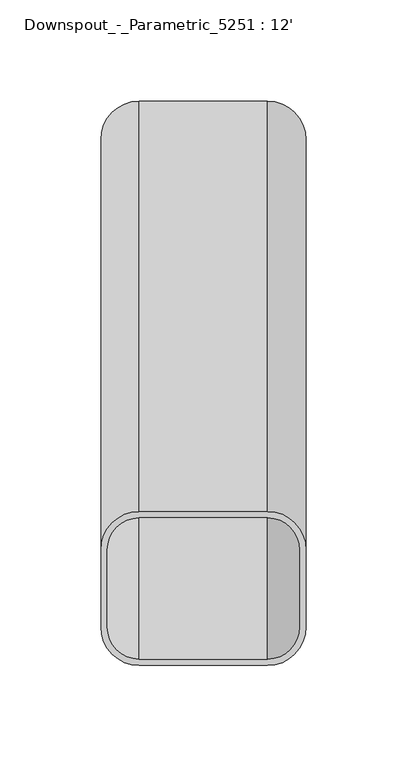
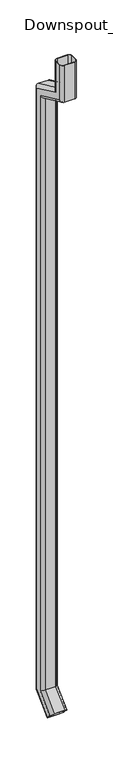
"""IFC4 building model written with IfcOpenShell, lengths in millimetres: proxy geometry, Downspout_-_Parametric_5251 : 12'."""

from ifc_helpers import new_model, si_unit, frame, origin, origin_with_axes, place, context, project, spatial, polyline, circle_curve, ellipse_curve, source, transform, mapped, element, save
from ifc_brep_helpers import plane_surface, cylinder_surface, revolved_surface, advanced_brep


def downspout_parametric_5251_12_ce62f93f(model_context):
    return source(origin(), model_context, "Body", "AdvancedBrep", [
        advanced_brep(
        [(50.8, 19.05, 0.0), (31.75, 38.1, 0.0), (-31.75, 38.1, 0.0), (-50.8, 19.05, 0.0), (-50.8, -19.05, 0.0), (-31.75, -38.1, 0.0), (31.75, -38.1, 0.0), (50.8, -19.05, 0.0), (47.625, 19.05, 0.0), (47.625, -19.05, 0.0), (31.75, -34.925, 0.0), (-31.75, -34.925, 0.0), (-47.625, -19.05, 0.0), (-47.625, 19.05, 0.0), (-31.75, 34.925, 0.0), (31.75, 34.925, 0.0), (50.8, 19.05, -203.7391312), (31.75, 38.1, -191.6029427), (-31.75, 38.1, -191.6029427), (-50.8, 19.05, -203.7391312), (-50.8, 222.25, -298.4928473), (-50.8, 222.25, -4205.2407684), (-50.8, 108.9073107, -4318.5834576), (-50.8, 81.9665424, -4291.6426893), (-50.8, 184.15, -4189.4592316), (-50.8, 184.15, -322.7652243), (-50.8, -19.05, -228.0115081), (-31.75, -38.1, -240.1476966), (31.75, -38.1, -240.1476966), (50.8, -19.05, -228.0115081), (50.8, 184.15, -322.7652243), (50.8, 184.15, -4189.4592316), (50.8, 81.9665424, -4291.6426893), (50.8, 108.9073107, -4318.5834576), (50.8, 222.25, -4205.2407684), (50.8, 222.25, -298.4928473), (47.625, 19.05, -203.7391312), (47.625, 222.25, -298.4928473), (47.625, 222.25, -4205.2407684), (47.625, 108.9073107, -4318.5834576), (47.625, 81.9665424, -4291.6426893), (47.625, 184.15, -4189.4592316), (47.625, 184.15, -322.7652243), (47.625, -19.05, -228.0115081), (31.75, -34.925, -238.1249985), (-31.75, -34.925, -238.1249985), (-47.625, -19.05, -228.0115081), (-47.625, 184.15, -322.7652243), (-47.625, 184.15, -4189.4592316), (-47.625, 81.9665424, -4291.6426893), (-47.625, 108.9073107, -4318.5834576), (-47.625, 222.25, -4205.2407684), (-47.625, 222.25, -298.4928473), (-47.625, 19.05, -203.7391312), (-31.75, 34.925, -193.6256408), (31.75, 34.925, -193.6256408), (31.75, 241.3, -286.3566588), (-31.75, 241.3, -286.3566588), (-31.75, 165.1, -334.9014127), (31.75, 165.1, -334.9014127), (31.75, 168.275, -332.8787146), (-31.75, 168.275, -332.8787146), (-31.75, 238.125, -288.3793569), (31.75, 238.125, -288.3793569), (31.75, 68.4961582, -4278.1723051), (-31.75, 68.4961582, -4278.1723051), (-31.75, 122.3776949, -4332.0538418), (31.75, 122.3776949, -4332.0538418), (31.75, 120.1326309, -4329.8087778), (-31.75, 120.1326309, -4329.8087778), (-31.75, 70.7412222, -4280.4173691), (31.75, 70.7412222, -4280.4173691), (31.75, 241.3, -4213.1315367), (-31.75, 241.3, -4213.1315367), (-31.75, 165.1, -4181.5684633), (31.75, 165.1, -4181.5684633), (31.75, 168.275, -4182.8835913), (-31.75, 168.275, -4182.8835913), (-31.75, 238.125, -4211.8164087), (31.75, 238.125, -4211.8164087)],
        [
            (0, 1, circle_curve(frame((31.75, 19.05, 0.0), z_axis=(0.0, 0.0, 1.0), x_axis=(0.0, 1.0, 0.0)), 19.05)),
            (1, 2),
            (2, 3, circle_curve(frame((-31.75, 19.05, 0.0), z_axis=(0.0, 0.0, 1.0), x_axis=(0.0, 1.0, 0.0)), 19.05)),
            (3, 4),
            (4, 5, circle_curve(frame((-31.75, -19.05, 0.0), z_axis=(0.0, 0.0, 1.0), x_axis=(0.0, 1.0, 0.0)), 19.05)),
            (5, 6),
            (6, 7, circle_curve(frame((31.75, -19.05, 0.0), z_axis=(0.0, 0.0, 1.0), x_axis=(0.0, 1.0, 0.0)), 19.05)),
            (7, 0),
            (8, 9),
            (9, 10, circle_curve(frame((31.75, -19.05, 0.0), z_axis=(0.0, 0.0, -1.0), x_axis=(0.0, 1.0, 0.0)), 15.875)),
            (10, 11),
            (11, 12, circle_curve(frame((-31.75, -19.05, 0.0), z_axis=(0.0, 0.0, -1.0), x_axis=(0.0, 1.0, 0.0)), 15.875)),
            (12, 13),
            (13, 14, circle_curve(frame((-31.75, 19.05, 0.0), z_axis=(0.0, 0.0, -1.0), x_axis=(0.0, 1.0, 0.0)), 15.875)),
            (14, 15),
            (15, 8, circle_curve(frame((31.75, 19.05, 0.0), z_axis=(0.0, 0.0, -1.0), x_axis=(0.0, 1.0, 0.0)), 15.875)),
            (0, 16),
            (16, 17, ellipse_curve(frame((31.75, 19.05, -203.7391312), z_axis=(0.0, -0.5372996083468213, 0.8433914458128874), x_axis=(0.0, 0.8433914458128875, 0.5372996083468209)), 22.5873764, 19.05)),
            (17, 1),
            (17, 18),
            (18, 2),
            (18, 19, ellipse_curve(frame((-31.75, 19.05, -203.7391312), z_axis=(0.0, -0.5372996083468213, 0.8433914458128874), x_axis=(0.0, 0.8433914458128875, 0.5372996083468209)), 22.5873764, 19.05)),
            (19, 3),
            (19, 20),
            (20, 21),
            (21, 22),
            (22, 23),
            (23, 24),
            (24, 25),
            (25, 26),
            (26, 4),
            (26, 27, ellipse_curve(frame((-31.75, -19.05, -228.0115081), z_axis=(0.0, -0.5372996083468213, 0.8433914458128874), x_axis=(0.0, 0.8433914458128875, 0.5372996083468209)), 22.5873764, 19.05)),
            (27, 5),
            (27, 28),
            (28, 6),
            (28, 29, ellipse_curve(frame((31.75, -19.05, -228.0115081), z_axis=(0.0, -0.5372996083468213, 0.8433914458128874), x_axis=(0.0, 0.8433914458128875, 0.5372996083468209)), 22.5873764, 19.05)),
            (29, 7),
            (29, 30),
            (30, 31),
            (31, 32),
            (32, 33),
            (33, 34),
            (34, 35),
            (35, 16),
            (8, 36),
            (36, 37),
            (37, 38),
            (38, 39),
            (39, 40),
            (40, 41),
            (41, 42),
            (42, 43),
            (43, 9),
            (43, 44, ellipse_curve(frame((31.75, -19.05, -228.0115081), z_axis=(0.0, 0.5372996083468213, -0.8433914458128874), x_axis=(0.0, -0.8433914458128875, -0.5372996083468209)), 18.8228136, 15.875)),
            (44, 10),
            (44, 45),
            (45, 11),
            (45, 46, ellipse_curve(frame((-31.75, -19.05, -228.0115081), z_axis=(0.0, 0.5372996083468213, -0.8433914458128874), x_axis=(0.0, -0.8433914458128875, -0.5372996083468209)), 18.8228136, 15.875)),
            (46, 12),
            (46, 47),
            (47, 48),
            (48, 49),
            (49, 50),
            (50, 51),
            (51, 52),
            (52, 53),
            (53, 13),
            (53, 54, ellipse_curve(frame((-31.75, 19.05, -203.7391312), z_axis=(0.0, 0.5372996083468213, -0.8433914458128874), x_axis=(0.0, -0.8433914458128875, -0.5372996083468209)), 18.8228136, 15.875)),
            (54, 14),
            (54, 55),
            (55, 15),
            (55, 36, ellipse_curve(frame((31.75, 19.05, -203.7391312), z_axis=(0.0, 0.5372996083468213, -0.8433914458128874), x_axis=(0.0, -0.8433914458128875, -0.5372996083468209)), 18.8228136, 15.875)),
            (35, 56, ellipse_curve(frame((31.75, 222.25, -298.4928473), z_axis=(0.0, -0.5372996083468236, 0.8433914458128858), x_axis=(0.0, -0.8433914458128858, -0.5372996083468236)), 22.5873764, 19.05)),
            (56, 17),
            (56, 57),
            (57, 18),
            (57, 20, ellipse_curve(frame((-31.75, 222.25, -298.4928473), z_axis=(0.0, -0.5372996083468236, 0.8433914458128858), x_axis=(0.0, -0.8433914458128858, -0.5372996083468236)), 22.5873764, 19.05)),
            (25, 58, ellipse_curve(frame((-31.75, 184.15, -322.7652243), z_axis=(0.0, -0.5372996083468236, 0.8433914458128858), x_axis=(0.0, -0.8433914458128858, -0.5372996083468236)), 22.5873764, 19.05)),
            (58, 27),
            (58, 59),
            (59, 28),
            (59, 30, ellipse_curve(frame((31.75, 184.15, -322.7652243), z_axis=(0.0, -0.5372996083468236, 0.8433914458128858), x_axis=(0.0, -0.8433914458128858, -0.5372996083468236)), 22.5873764, 19.05)),
            (42, 60, ellipse_curve(frame((31.75, 184.15, -322.7652243), z_axis=(0.0, 0.5372996083468236, -0.8433914458128858), x_axis=(0.0, 0.8433914458128858, 0.5372996083468236)), 18.8228136, 15.875)),
            (60, 44),
            (60, 61),
            (61, 45),
            (61, 47, ellipse_curve(frame((-31.75, 184.15, -322.7652243), z_axis=(0.0, 0.5372996083468236, -0.8433914458128858), x_axis=(0.0, 0.8433914458128858, 0.5372996083468236)), 18.8228136, 15.875)),
            (52, 62, ellipse_curve(frame((-31.75, 222.25, -298.4928473), z_axis=(0.0, 0.5372996083468236, -0.8433914458128858), x_axis=(0.0, 0.8433914458128858, 0.5372996083468236)), 18.8228136, 15.875)),
            (62, 54),
            (62, 63),
            (63, 55),
            (63, 37, ellipse_curve(frame((31.75, 222.25, -298.4928473), z_axis=(0.0, 0.5372996083468236, -0.8433914458128858), x_axis=(0.0, 0.8433914458128858, 0.5372996083468236)), 18.8228136, 15.875)),
            (32, 64, circle_curve(frame((31.75, 81.9665424, -4291.6426893), z_axis=(0.0, -0.7071067811865509, -0.7071067811865441), x_axis=(0.0, 0.7071067811865441, -0.7071067811865509)), 19.05)),
            (64, 65),
            (65, 23, circle_curve(frame((-31.75, 81.9665424, -4291.6426893), z_axis=(0.0, -0.7071067811865509, -0.7071067811865441), x_axis=(0.0, 0.7071067811865441, -0.7071067811865509)), 19.05)),
            (22, 66, circle_curve(frame((-31.75, 108.9073107, -4318.5834576), z_axis=(0.0, -0.7071067811865509, -0.7071067811865441), x_axis=(0.0, 0.7071067811865441, -0.7071067811865509)), 19.05)),
            (66, 67),
            (67, 33, circle_curve(frame((31.75, 108.9073107, -4318.5834576), z_axis=(0.0, -0.7071067811865509, -0.7071067811865441), x_axis=(0.0, 0.7071067811865441, -0.7071067811865509)), 19.05)),
            (39, 68, circle_curve(frame((31.75, 108.9073107, -4318.5834576), z_axis=(0.0, 0.7071067811865509, 0.7071067811865441), x_axis=(0.0, 0.7071067811865441, -0.7071067811865509)), 15.875)),
            (68, 69),
            (69, 50, circle_curve(frame((-31.75, 108.9073107, -4318.5834576), z_axis=(0.0, 0.7071067811865509, 0.7071067811865441), x_axis=(0.0, 0.7071067811865441, -0.7071067811865509)), 15.875)),
            (49, 70, circle_curve(frame((-31.75, 81.9665424, -4291.6426893), z_axis=(0.0, 0.7071067811865509, 0.7071067811865441), x_axis=(0.0, 0.7071067811865441, -0.7071067811865509)), 15.875)),
            (70, 71),
            (71, 40, circle_curve(frame((31.75, 81.9665424, -4291.6426893), z_axis=(0.0, 0.7071067811865509, 0.7071067811865441), x_axis=(0.0, 0.7071067811865441, -0.7071067811865509)), 15.875)),
            (34, 72, ellipse_curve(frame((31.75, 222.25, -4205.2407684), z_axis=(0.0, 0.382683432365088, 0.9238795325112874), x_axis=(0.0, -0.9238795325112873, 0.38268343236508856)), 20.6195714, 19.05)),
            (72, 56),
            (72, 73),
            (73, 57),
            (73, 21, ellipse_curve(frame((-31.75, 222.25, -4205.2407684), z_axis=(0.0, 0.382683432365088, 0.9238795325112874), x_axis=(0.0, -0.9238795325112873, 0.38268343236508856)), 20.6195714, 19.05)),
            (24, 74, ellipse_curve(frame((-31.75, 184.15, -4189.4592316), z_axis=(0.0, 0.382683432365088, 0.9238795325112874), x_axis=(0.0, -0.9238795325112873, 0.38268343236508856)), 20.6195714, 19.05)),
            (74, 58),
            (74, 75),
            (75, 59),
            (75, 31, ellipse_curve(frame((31.75, 184.15, -4189.4592316), z_axis=(0.0, 0.382683432365088, 0.9238795325112874), x_axis=(0.0, -0.9238795325112873, 0.38268343236508856)), 20.6195714, 19.05)),
            (41, 76, ellipse_curve(frame((31.75, 184.15, -4189.4592316), z_axis=(0.0, -0.382683432365088, -0.9238795325112874), x_axis=(0.0, 0.9238795325112873, -0.38268343236508856)), 17.1829762, 15.875)),
            (76, 60),
            (76, 77),
            (77, 61),
            (77, 48, ellipse_curve(frame((-31.75, 184.15, -4189.4592316), z_axis=(0.0, -0.382683432365088, -0.9238795325112874), x_axis=(0.0, 0.9238795325112873, -0.38268343236508856)), 17.1829762, 15.875)),
            (51, 78, ellipse_curve(frame((-31.75, 222.25, -4205.2407684), z_axis=(0.0, -0.382683432365088, -0.9238795325112874), x_axis=(0.0, 0.9238795325112873, -0.38268343236508856)), 17.1829762, 15.875)),
            (78, 62),
            (78, 79),
            (79, 63),
            (79, 38, ellipse_curve(frame((31.75, 222.25, -4205.2407684), z_axis=(0.0, -0.382683432365088, -0.9238795325112874), x_axis=(0.0, 0.9238795325112873, -0.38268343236508856)), 17.1829762, 15.875)),
            (67, 72),
            (66, 73),
            (65, 74),
            (64, 75),
            (71, 76),
            (70, 77),
            (69, 78),
            (68, 79),
        ],
        [
            plane_surface(origin_with_axes()),
            cylinder_surface(frame((31.75, 19.05, 0.0), z_axis=(0.0, 0.0, 1.0), x_axis=(0.0, 1.0, 0.0)), 19.05),
            plane_surface(frame((31.75, 38.1, 0.0), z_axis=(0.0, 1.0, 0.0), x_axis=(0.0, 0.0, -1.0))),
            cylinder_surface(frame((-31.75, 19.05, 0.0), z_axis=(0.0, 0.0, 1.0), x_axis=(0.0, 1.0, 0.0)), 19.05),
            plane_surface(frame((-50.8, 19.05, 0.0), z_axis=(-1.0, 0.0, 0.0), x_axis=(0.0, 0.0, -1.0))),
            cylinder_surface(frame((-31.75, -19.05, 0.0), z_axis=(0.0, 0.0, 1.0), x_axis=(0.0, 1.0, 0.0)), 19.05),
            plane_surface(frame((-31.75, -38.1, 0.0), z_axis=(0.0, -1.0, 0.0), x_axis=(0.0, 0.0, -1.0))),
            cylinder_surface(frame((31.75, -19.05, 0.0), z_axis=(0.0, 0.0, 1.0), x_axis=(0.0, 1.0, 0.0)), 19.05),
            plane_surface(frame((50.8, -19.05, 0.0), z_axis=(1.0, 0.0, 0.0), x_axis=(0.0, 0.0, -1.0))),
            plane_surface(frame((47.625, 19.05, 0.0), z_axis=(-1.0, 0.0, 0.0), x_axis=(0.0, 0.0, -1.0))),
            revolved_surface(polyline([(31.75, -3.1750000000000007, -238.1249985), (31.75, -3.1750000000000007, 0.0)]), (31.75, -19.05, 0.0), (0.0, 0.0, -1.0)),
            plane_surface(frame((31.75, -34.925, 0.0), z_axis=(0.0, 1.0, 0.0), x_axis=(0.0, 0.0, -1.0))),
            revolved_surface(polyline([(-31.75, -3.1750000000000007, -238.1249985), (-31.75, -3.1750000000000007, 0.0)]), (-31.75, -19.05, 0.0), (0.0, 0.0, -1.0)),
            plane_surface(frame((-47.625, -19.05, 0.0), z_axis=(1.0, 0.0, 0.0), x_axis=(0.0, 0.0, -1.0))),
            revolved_surface(polyline([(-31.75, 34.925, -213.8526215752652), (-31.75, 34.925, 0.0)]), (-31.75, 19.05, 0.0), (0.0, 0.0, -1.0)),
            plane_surface(frame((-31.75, 34.925, 0.0), z_axis=(0.0, -1.0, 0.0), x_axis=(0.0, 0.0, -1.0))),
            revolved_surface(polyline([(31.75, 34.925, -213.8526215752652), (31.75, 34.925, 0.0)]), (31.75, 19.05, 0.0), (0.0, 0.0, -1.0)),
            cylinder_surface(frame((31.75, 8.0508779, -198.6101563), z_axis=(0.0, -0.9063077870366462, 0.4226182617407078), x_axis=(0.0, 0.4226182617407078, 0.9063077870366462)), 19.05),
            plane_surface(frame((31.75, 38.1, -191.6029427), z_axis=(0.0, 0.4226182617407079, 0.906307787036646), x_axis=(0.0, 0.906307787036646, -0.4226182617407079))),
            cylinder_surface(frame((-31.75, 8.0508779, -198.6101563), z_axis=(0.0, -0.9063077870366462, 0.4226182617407078), x_axis=(0.0, 0.4226182617407078, 0.9063077870366462)), 19.05),
            cylinder_surface(frame((-31.75, -8.0508779, -233.140483), z_axis=(0.0, -0.9063077870366462, 0.4226182617407078), x_axis=(0.0, 0.4226182617407078, 0.9063077870366462)), 19.05),
            plane_surface(frame((-31.75, -38.1, -240.1476966), z_axis=(0.0, -0.42261826174070777, -0.9063077870366462), x_axis=(0.0, 0.9063077870366462, -0.42261826174070777))),
            cylinder_surface(frame((31.75, -8.0508779, -233.140483), z_axis=(0.0, -0.9063077870366462, 0.4226182617407078), x_axis=(0.0, 0.4226182617407078, 0.9063077870366462)), 19.05),
            revolved_surface(polyline([(31.75, 200.02499999827407, -312.6517338777623), (31.75, -21.506870198199934, -209.3497262797449)]), (31.75, -8.0508779, -233.140483), (0.0, 0.9063077870366462, -0.4226182617407078)),
            plane_surface(frame((31.75, -34.925, -238.1249985), z_axis=(0.0, 0.42261826174070793, 0.906307787036646), x_axis=(0.0, 0.906307787036646, -0.42261826174070793))),
            revolved_surface(polyline([(-31.75, 200.02499999827407, -312.6517338777623), (-31.75, -21.506870198199934, -209.3497262797449)]), (-31.75, -8.0508779, -233.140483), (0.0, 0.9063077870366462, -0.4226182617407078)),
            revolved_surface(polyline([(-31.75, 238.1249999942581, -288.3793569123137), (-31.75, 16.59312983608624, -185.07734933215684)]), (-31.75, 8.0508779, -198.6101563), (0.0, 0.9063077870366462, -0.4226182617407078)),
            plane_surface(frame((-31.75, 34.925, -193.6256408), z_axis=(0.0, -0.422618261740708, -0.906307787036646), x_axis=(0.0, 0.906307787036646, -0.422618261740708))),
            revolved_surface(polyline([(31.75, 238.1249999942581, -288.3793569123137), (31.75, 16.59312983608624, -185.07734933215684)]), (31.75, 8.0508779, -198.6101563), (0.0, 0.9063077870366462, -0.4226182617407078)),
            plane_surface(frame((0.0, 95.4369265, -4305.1130735), z_axis=(0.0, -0.707106781186551, -0.7071067811865442), x_axis=(1.0, 0.0, 0.0))),
            cylinder_surface(frame((31.75, 222.25, -310.6290358), z_axis=(0.0, 0.0, 1.0), x_axis=(0.0, 1.0, 0.0)), 19.05),
            plane_surface(frame((31.75, 241.3, -286.3566588), z_axis=(0.0, 1.0, 0.0), x_axis=(0.0, 0.0, -1.0))),
            cylinder_surface(frame((-31.75, 222.25, -310.6290358), z_axis=(0.0, 0.0, 1.0), x_axis=(0.0, 1.0, 0.0)), 19.05),
            cylinder_surface(frame((-31.75, 184.15, -310.6290358), z_axis=(0.0, 0.0, 1.0), x_axis=(0.0, 1.0, 0.0)), 19.05),
            plane_surface(frame((-31.75, 165.1, -334.9014127), z_axis=(0.0, -1.0, 0.0), x_axis=(0.0, 0.0, -1.0))),
            cylinder_surface(frame((31.75, 184.15, -310.6290358), z_axis=(0.0, 0.0, 1.0), x_axis=(0.0, 1.0, 0.0)), 19.05),
            revolved_surface(polyline([(31.75, 200.025, -4196.034871910463), (31.75, 200.025, -312.65173392473474)]), (31.75, 184.15, -310.6290358), (0.0, 0.0, -1.0)),
            plane_surface(frame((31.75, 168.275, -332.8787146), z_axis=(0.0, 1.0, 0.0), x_axis=(0.0, 0.0, -1.0))),
            revolved_surface(polyline([(-31.75, 200.025, -4196.034871910463), (-31.75, 200.025, -312.65173392473474)]), (-31.75, 184.15, -310.6290358), (0.0, 0.0, -1.0)),
            revolved_surface(polyline([(-31.75, 238.125, -4211.816408710463), (-31.75, 238.125, -288.3793569)]), (-31.75, 222.25, -310.6290358), (0.0, 0.0, -1.0)),
            plane_surface(frame((-31.75, 238.125, -288.3793569), z_axis=(0.0, -1.0, 0.0), x_axis=(0.0, 0.0, -1.0))),
            revolved_surface(polyline([(31.75, 238.125, -4211.816408710463), (31.75, 238.125, -288.3793569)]), (31.75, 222.25, -310.6290358), (0.0, 0.0, -1.0)),
            cylinder_surface(frame((31.75, 216.6703842, -4210.8203842), z_axis=(0.0, 0.7071067811865509, 0.7071067811865441), x_axis=(0.0, 0.7071067811865441, -0.7071067811865509)), 19.05),
            plane_surface(frame((31.75, 241.3, -4213.1315367), z_axis=(0.0, 0.707106781186543, -0.707106781186552), x_axis=(0.0, -0.707106781186552, -0.707106781186543))),
            cylinder_surface(frame((-31.75, 216.6703842, -4210.8203842), z_axis=(0.0, 0.7071067811865509, 0.7071067811865441), x_axis=(0.0, 0.7071067811865441, -0.7071067811865509)), 19.05),
            cylinder_surface(frame((-31.75, 189.7296158, -4183.8796158), z_axis=(0.0, 0.7071067811865509, 0.7071067811865441), x_axis=(0.0, 0.7071067811865441, -0.7071067811865509)), 19.05),
            plane_surface(frame((-31.75, 165.1, -4181.5684633), z_axis=(0.0, -0.7071067811865439, 0.7071067811865511), x_axis=(0.0, -0.7071067811865511, -0.7071067811865439))),
            cylinder_surface(frame((31.75, 189.7296158, -4183.8796158), z_axis=(0.0, 0.7071067811865509, 0.7071067811865441), x_axis=(0.0, 0.7071067811865441, -0.7071067811865509)), 19.05),
            revolved_surface(polyline([(31.75, 93.19186250133575, -4302.868009401336), (31.75, 200.02500000550876, -4196.034871897164)]), (31.75, 189.7296158, -4183.8796158), (0.0, -0.7071067811865509, -0.7071067811865441)),
            plane_surface(frame((31.75, 168.275, -4182.8835913), z_axis=(0.0, 0.7071067811865439, -0.7071067811865511), x_axis=(0.0, -0.7071067811865511, -0.7071067811865439))),
            revolved_surface(polyline([(-31.75, 93.19186250133575, -4302.868009401336), (-31.75, 200.02500000550876, -4196.034871897164)]), (-31.75, 189.7296158, -4183.8796158), (0.0, -0.7071067811865509, -0.7071067811865441)),
            revolved_surface(polyline([(-31.75, 120.13263090133609, -4329.808777801336), (-31.75, 238.1250000055091, -4211.816408697165)]), (-31.75, 216.6703842, -4210.8203842), (0.0, -0.7071067811865509, -0.7071067811865441)),
            plane_surface(frame((-31.75, 238.125, -4211.8164087), z_axis=(0.0, -0.7071067811865435, 0.7071067811865516), x_axis=(0.0, -0.7071067811865516, -0.7071067811865435))),
            revolved_surface(polyline([(31.75, 120.13263090133609, -4329.808777801336), (31.75, 238.1250000055091, -4211.816408697165)]), (31.75, 216.6703842, -4210.8203842), (0.0, -0.7071067811865509, -0.7071067811865441)),
        ],
        [
            (0, [[1, 2, 3, 4, 5, 6, 7, 8], [9, 10, 11, 12, 13, 14, 15, 16]]),
            (1, [[-1, 17, 18, 19]]),
            (2, [[-2, -19, 20, 21]]),
            (3, [[-3, -21, 22, 23]]),
            (4, [[-4, -23, 24, 25, 26, 27, 28, 29, 30, 31]]),
            (5, [[-5, -31, 32, 33]]),
            (6, [[-6, -33, 34, 35]]),
            (7, [[-7, -35, 36, 37]]),
            (8, [[-8, -37, 38, 39, 40, 41, 42, 43, 44, -17]]),
            (9, [[-9, 45, 46, 47, 48, 49, 50, 51, 52, 53]]),
            (10, [[-10, -53, 54, 55]]),
            (11, [[-11, -55, 56, 57]]),
            (12, [[-12, -57, 58, 59]]),
            (13, [[-13, -59, 60, 61, 62, 63, 64, 65, 66, 67]]),
            (14, [[-14, -67, 68, 69]]),
            (15, [[-15, -69, 70, 71]]),
            (16, [[-16, -71, 72, -45]]),
            (17, [[-18, -44, 73, 74]]),
            (18, [[-20, -74, 75, 76]]),
            (19, [[-22, -76, 77, -24]]),
            (20, [[-32, -30, 78, 79]]),
            (21, [[-34, -79, 80, 81]]),
            (22, [[-36, -81, 82, -38]]),
            (23, [[-54, -52, 83, 84]]),
            (24, [[-56, -84, 85, 86]]),
            (25, [[-58, -86, 87, -60]]),
            (26, [[-68, -66, 88, 89]]),
            (27, [[-70, -89, 90, 91]]),
            (28, [[-72, -91, 92, -46]]),
            (29, [[-41, 93, 94, 95, -27, 96, 97, 98], [99, 100, 101, -63, 102, 103, 104, -49]]),
            (30, [[-73, -43, 105, 106]]),
            (31, [[-75, -106, 107, 108]]),
            (32, [[-77, -108, 109, -25]]),
            (33, [[-78, -29, 110, 111]]),
            (34, [[-80, -111, 112, 113]]),
            (35, [[-82, -113, 114, -39]]),
            (36, [[-83, -51, 115, 116]]),
            (37, [[-85, -116, 117, 118]]),
            (38, [[-87, -118, 119, -61]]),
            (39, [[-88, -65, 120, 121]]),
            (40, [[-90, -121, 122, 123]]),
            (41, [[-92, -123, 124, -47]]),
            (42, [[-105, -42, -98, 125]]),
            (43, [[-107, -125, -97, 126]]),
            (44, [[-109, -126, -96, -26]]),
            (45, [[-110, -28, -95, 127]]),
            (46, [[-112, -127, -94, 128]]),
            (47, [[-114, -128, -93, -40]]),
            (48, [[-115, -50, -104, 129]]),
            (49, [[-117, -129, -103, 130]]),
            (50, [[-119, -130, -102, -62]]),
            (51, [[-120, -64, -101, 131]]),
            (52, [[-122, -131, -100, 132]]),
            (53, [[-124, -132, -99, -48]]),
        ],
    ),
    ])


if __name__ == "__main__":
    model = new_model("IFC4")
    model_context = context("Model", 3, world=origin())
    ifc_project = project(units=[si_unit("LENGTHUNIT", "METRE", prefix="MILLI")], contexts=[model_context])
    site = spatial("IfcSite", under=ifc_project)
    building = spatial("IfcBuilding", under=site)
    placement = place(None, origin())
    downspout_parametric_5251_12_shape = downspout_parametric_5251_12_ce62f93f(model_context)
    element("IfcBuildingElementProxy", 1, Name="Downspout_-_Parametric_5251 : 12'", ObjectType="Downspout_-_Parametric_5251 : 12'", at=placement, inside=building, context=model_context, shape_type="MappedRepresentation", body=[
        mapped(downspout_parametric_5251_12_shape, transform((0.0, 0.0, 0.0), x_axis=(1.0, 0.0, 0.0), y_axis=(0.0, 1.0, 0.0), z_axis=(0.0, 0.0, 1.0))),
    ])
    save(model, "model.ifc")
